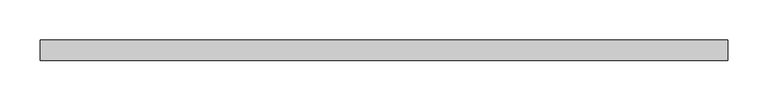
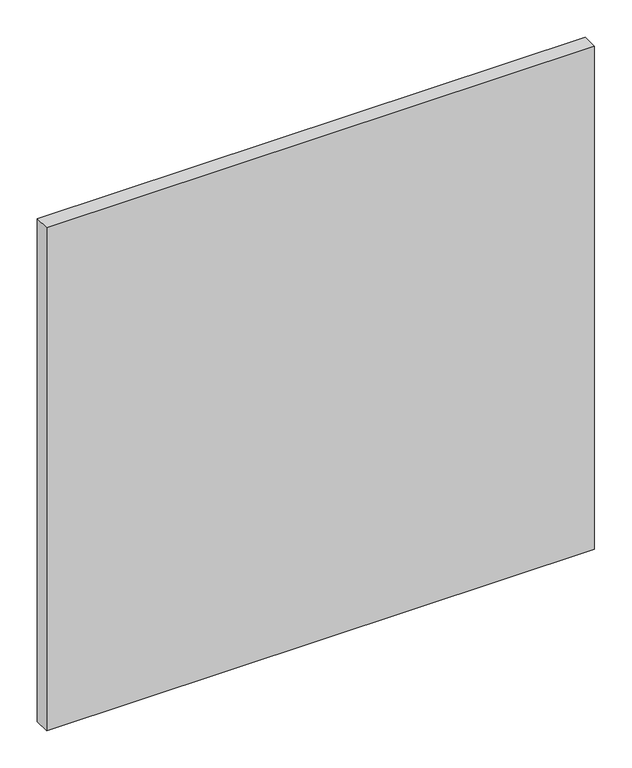
"""IFC4 building model written with IfcOpenShell, lengths in millimetres: plate geometry."""

from ifc_helpers import new_model, si_unit, origin, origin_with_axes, place, context, project, spatial, polyline, outline, extrude, source, transform, mapped, element, save


def plate_9b511c31(model_context):
    return source(origin(), model_context, "Body", "SweptSolid", [
        extrude(outline(polyline([(425.0, 24.5), (-425.0, 24.5), (-425.0, 49.5), (425.0, 49.5), (425.0, 24.5)])), origin_with_axes(), (0.0, 0.0, 1.0), 825.0),
    ])


if __name__ == "__main__":
    model = new_model("IFC4")
    model_context = context("Model", 3, world=origin())
    ifc_project = project(units=[si_unit("LENGTHUNIT", "METRE", prefix="MILLI")], contexts=[model_context])
    site = spatial("IfcSite", under=ifc_project)
    building = spatial("IfcBuilding", under=site)
    placement = place(None, origin())
    plate_shape = plate_9b511c31(model_context)
    element("IfcPlate", 1, at=placement, inside=building, context=model_context, shape_type="MappedRepresentation", body=[
        mapped(plate_shape, transform((0.0, 0.0, 0.0), x_axis=(1.0, 0.0, 0.0), y_axis=(0.0, 1.0, 0.0), z_axis=(0.0, 0.0, 1.0))),
    ])
    save(model, "model.ifc")
